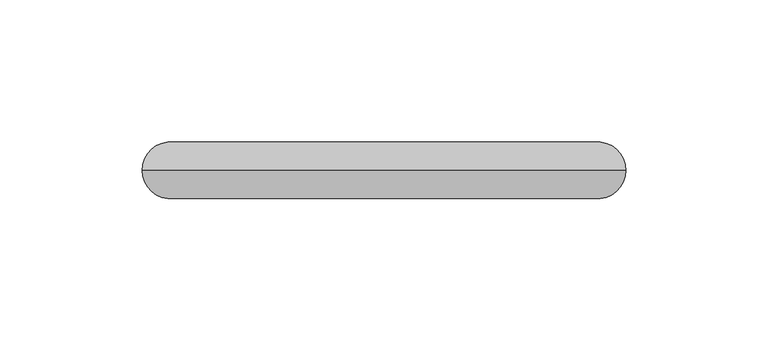
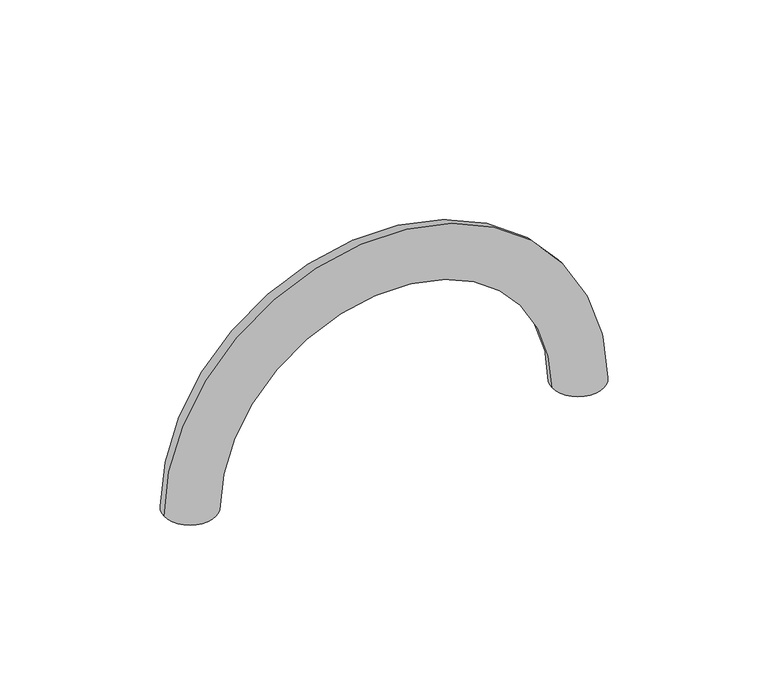
"""IFC4 building model written with IfcOpenShell, lengths in millimetres: proxy geometry."""

from ifc_helpers import new_model, si_unit, point, frame, origin, place, context, project, spatial, circle_curve, ellipse_curve, trimmed, source, transform, mapped, element, save
from ifc_brep_helpers import plane_surface, revolved_surface, advanced_brep


def generic_models_dd5a5918(model_context):
    return source(origin(), model_context, "Body", "AdvancedBrep", [
        advanced_brep(
        [(160.0, 0.0, 0.0), (140.0, 0.0, 0.0), (-10.0, 0.0, 0.0), (10.0, 0.0, 0.0)],
        [
            (0, 1, circle_curve(frame((150.0, 0.0, 0.0), z_axis=(0.0, 0.0, -1.0), x_axis=(-1.0, 0.0, 0.0)), 10.0)),
            (1, 0, circle_curve(frame((150.0, 0.0, 0.0), z_axis=(0.0, 0.0, -1.0), x_axis=(-1.0, 0.0, 0.0)), 10.0)),
            (2, 3, circle_curve(frame((0.0, 0.0, 0.0), z_axis=(0.0, 0.0, -1.0), x_axis=(1.0, 0.0, 0.0)), 10.0)),
            (3, 2, circle_curve(frame((0.0, 0.0, 0.0), z_axis=(0.0, 0.0, -1.0), x_axis=(1.0, 0.0, 0.0)), 10.0)),
            (3, 1, circle_curve(frame((75.0, 0.0, 0.0), z_axis=(0.0, 1.0, 0.0), x_axis=(1.0, 0.0, 0.0)), 65.0)),
            (0, 2, circle_curve(frame((75.0, 0.0, 0.0), z_axis=(0.0, -1.0, 0.0), x_axis=(1.0, 0.0, 0.0)), 85.0)),
        ],
        [
            plane_surface(frame((150.0, 0.0, 0.0), z_axis=(0.0, 0.0, -1.0), x_axis=(0.0, 1.0, 0.0))),
            plane_surface(frame((0.0, 0.0, 0.0), z_axis=(0.0, 0.0, -1.0), x_axis=(0.0, -1.0, 0.0))),
            revolved_surface(trimmed(ellipse_curve(frame((150.0, 0.0, 0.0), z_axis=(0.0, 0.0, 1.0), x_axis=(-1.0, 0.0, 0.0)), 10.0, 10.0), [point((140.0, 0.0, 0.0))], [point((160.0, 0.0, 0.0))], True, "CARTESIAN"), (75.0, 0.0, 0.0), (0.0, 1.0, 0.0)),
            revolved_surface(trimmed(ellipse_curve(frame((150.0, 0.0, 0.0), z_axis=(0.0, 0.0, 1.0), x_axis=(-1.0, 0.0, 0.0)), 10.0, 10.0), [point((160.0, 0.0, 0.0))], [point((140.0, 0.0, 0.0))], True, "CARTESIAN"), (75.0, 0.0, 0.0), (0.0, 1.0, 0.0)),
        ],
        [
            (0, [[1, 2]]),
            (1, [[3, 4]]),
            (2, [[-4, 5, -1, 6]]),
            (3, [[-3, -6, -2, -5]]),
        ],
    ),
    ])


if __name__ == "__main__":
    model = new_model("IFC4")
    model_context = context("Model", 3, world=origin())
    ifc_project = project(units=[si_unit("LENGTHUNIT", "METRE", prefix="MILLI")], contexts=[model_context])
    site = spatial("IfcSite", under=ifc_project)
    building = spatial("IfcBuilding", under=site)
    placement = place(None, origin())
    generic_models_shape = generic_models_dd5a5918(model_context)
    element("IfcBuildingElementProxy", 1, Name="Generic Models", at=placement, inside=building, context=model_context, shape_type="MappedRepresentation", body=[
        mapped(generic_models_shape, transform((0.0, 0.0, 0.0), x_axis=(1.0, 0.0, 0.0), y_axis=(0.0, 1.0, 0.0), z_axis=(0.0, 0.0, 1.0))),
    ])
    save(model, "model.ifc")
